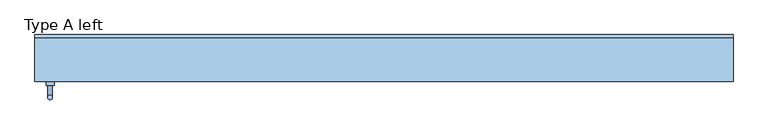
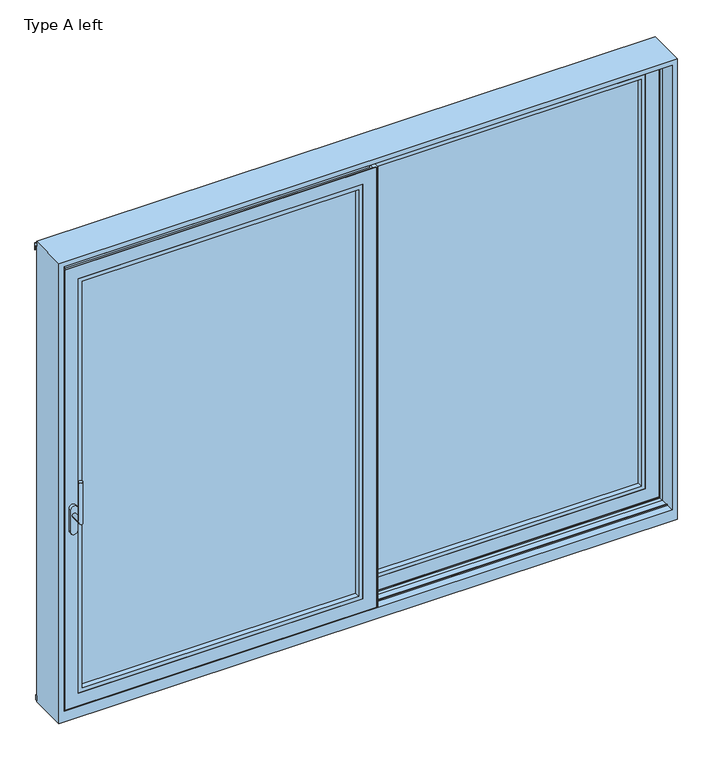
"""IFC4 building model written with IfcOpenShell, lengths in millimetres: window geometry, Type A left."""

from ifc_helpers import new_model, si_unit, point, frame, frame_2d, origin, place, context, project, spatial, polyline, circle_curve, ellipse_curve, trimmed, segment, composite_curve, outline, extrude, faceted_brep, source, transform, mapped, element, save
from ifc_brep_helpers import plane_surface, cylinder_surface, advanced_brep


def type_a_left_32019d5f(model_context):
    return source(origin(), model_context, "Body", "SolidModel", [
        extrude(outline(polyline([(1446.5, 87.0), (1465.0, 87.0), (1465.0, 80.0), (1446.5, 80.0), (1446.5, 87.0)])), frame((0.0, 0.0, 18.5), z_axis=(0.0, 0.0, 1.0), x_axis=(1.0, 0.0, 0.0)), (0.0, 0.0, 1.0), 2211.5),
        extrude(outline(polyline([(1446.5, 20.0), (1465.0, 20.0), (1465.0, 13.0), (1446.5, 13.0), (1446.5, 20.0)])), frame((0.0, 0.0, 18.5), z_axis=(0.0, 0.0, 1.0), x_axis=(1.0, 0.0, 0.0)), (0.0, 0.0, 1.0), 2211.5),
        extrude(outline(polyline([(0.0, -9.0), (-47.5, -9.0), (-47.5, 90.0), (-41.5, 90.0), (-41.5, 87.0), (-24.5, 87.0), (-24.5, 13.0), (-39.5, 13.0), (-39.5, 10.0), (8.5, 10.0), (8.5, 4.0), (-6.0, 4.0), (-6.0, -6.0013087), (0.0, -6.0013087), (0.0, -9.0)])), frame((0.0, 0.0, 3.5), z_axis=(0.0, 0.0, 1.0), x_axis=(1.0, 0.0, 0.0)), (0.0, 0.0, 1.0), 2241.5),
        faceted_brep([(1461.5, 87.0, 2245.0), (1461.5, 87.0, 3.5), (1461.5, 90.0, 3.5), (1461.5, 90.0, 2245.0), (-39.5, 87.0, 3.5), (-39.5, 90.0, 3.5), (-39.5, 90.0, 2245.0), (45.5, 90.0, 88.5), (1376.5, 90.0, 88.5), (1376.5, 90.0, 2160.0), (45.5, 90.0, 2160.0), (-39.5, 87.0, 2245.0), (1446.5, 87.0, 18.5), (-24.5, 87.0, 18.5), (-24.5, 87.0, 2230.0), (1446.5, 87.0, 2230.0), (1461.5, 13.0, 3.5), (-39.5, 13.0, 3.5), (-39.5, 13.0, 2245.0), (1461.5, 13.0, 2245.0), (-24.5, 13.0, 18.5), (1446.5, 13.0, 18.5), (1446.5, 13.0, 2230.0), (-24.5, 13.0, 2230.0), (1461.5, 10.0, 2245.0), (1461.5, 10.0, 3.5), (-39.5, 10.0, 3.5), (-39.5, 10.0, 2245.0), (1396.5, 10.0, 68.5), (25.5, 10.0, 68.5), (25.5, 10.0, 2180.0), (1396.5, 10.0, 2180.0), (1396.5, 82.0, 2180.0), (1396.5, 82.0, 68.5), (25.5, 82.0, 68.5), (25.5, 82.0, 2180.0), (1376.5, 82.0, 88.5), (45.5, 82.0, 88.5), (45.5, 82.0, 2160.0), (1376.5, 82.0, 2160.0)], [[[0, 1, 2, 3]], [[1, 4, 5, 2]], [[2, 5, 6, 3], [7, 8, 9, 10]], [[4, 11, 6, 5]], [[4, 1, 0, 11], [12, 13, 14, 15]], [[16, 17, 18, 19], [20, 21, 22, 23]], [[24, 25, 16, 19]], [[25, 26, 17, 16]], [[26, 27, 18, 17]], [[26, 25, 24, 27], [28, 29, 30, 31]], [[32, 33, 28, 31]], [[33, 34, 29, 28]], [[34, 35, 30, 29]], [[34, 33, 32, 35], [36, 37, 38, 39]], [[9, 8, 36, 39]], [[8, 7, 37, 36]], [[7, 10, 38, 37]], [[11, 0, 3, 6]], [[27, 24, 19, 18]], [[35, 32, 31, 30]], [[10, 9, 39, 38]], [[22, 21, 12, 15]], [[20, 23, 14, 13]], [[21, 20, 13, 12]], [[23, 22, 15, 14]]]),
        extrude(outline(polyline([(2180.0, 1396.5), (2180.0, 25.5), (68.5, 25.5), (68.5, 1396.5), (2180.0, 1396.5)]), holes=[polyline([(2160.0, 45.5), (2160.0, 1376.5), (88.5, 1376.5), (88.5, 45.5), (2160.0, 45.5)])]), frame((0.0, 10.5, 0.0), z_axis=(0.0, 1.0, 0.0), x_axis=(0.0, 0.0, 1.0)), (0.0, 0.0, 1.0), 25.5),
        extrude(outline(polyline([(1396.5, 82.0), (1396.5, 36.0), (25.5, 36.0), (25.5, 82.0), (1396.5, 82.0)])), frame((0.0, 0.0, 68.5), z_axis=(0.0, 0.0, 1.0), x_axis=(1.0, 0.0, 0.0)), (0.0, 0.0, 1.0), 2111.5),
        extrude(outline(polyline([(-24.5, 59.0), (1446.5, 59.0), (1446.5, 41.0), (-24.5, 41.0), (-24.5, 59.0)])), frame((0.0, 0.0, 2230.0), z_axis=(0.0, 0.0, 1.0), x_axis=(1.0, 0.0, 0.0)), (0.0, 0.0, 1.0), 20.0),
        advanced_brep(
        [(-1435.0, -111.0, 995.0), (-1415.0, -111.0, 995.0), (-1435.0, -163.0, 995.0), (-1415.0, -163.0, 995.0), (-1435.0, -163.0, 1195.0), (-1415.0, -163.0, 1195.0)],
        [
            (0, 1, circle_curve(frame((-1425.0, -111.0, 995.0), z_axis=(0.0, 1.0, 0.0), x_axis=(1.0000000000000009, 0.0, 0.0)), 10.0)),
            (1, 0, circle_curve(frame((-1425.0, -111.0, 995.0), z_axis=(0.0, 1.0, 0.0), x_axis=(1.0000000000000009, 0.0, 0.0)), 10.0)),
            (0, 2),
            (2, 3, ellipse_curve(frame((-1425.0, -163.0, 995.0), z_axis=(0.0, 0.7071067811865475, -0.7071067811865475), x_axis=(0.0, 0.7071067811865476, 0.7071067811865474)), 14.1421356, 10.0)),
            (3, 1),
            (3, 2, ellipse_curve(frame((-1425.0, -163.0, 995.0), z_axis=(0.0, 0.7071067811865475, -0.7071067811865475), x_axis=(0.0, 0.7071067811865476, 0.7071067811865474)), 14.1421356, 10.0)),
            (4, 5, circle_curve(frame((-1425.0, -163.0, 1195.0), z_axis=(0.0, 0.0, 1.0), x_axis=(1.0000000000000009, 0.0, 0.0)), 10.0)),
            (5, 4, circle_curve(frame((-1425.0, -163.0, 1195.0), z_axis=(0.0, 0.0, 1.0), x_axis=(1.0000000000000009, 0.0, 0.0)), 10.0)),
            (2, 4),
            (5, 3),
        ],
        [
            plane_surface(frame((-1425.0, -111.0, 995.0), z_axis=(0.0, 1.0, 0.0), x_axis=(1.0, 0.0, 0.0))),
            cylinder_surface(frame((-1425.0, -111.0, 995.0), z_axis=(0.0, 1.0000000000000009, 0.0), x_axis=(1.0000000000000009, 0.0, 0.0)), 10.0),
            plane_surface(frame((-1425.0, -163.0, 1195.0), z_axis=(0.0, 0.0, 1.0), x_axis=(1.0, 0.0, 0.0))),
            cylinder_surface(frame((-1425.0, -163.0, 995.0), z_axis=(0.0, 0.0, -1.0), x_axis=(1.0000000000000009, 0.0, 0.0)), 10.0),
        ],
        [
            (0, [[1, 2]]),
            (1, [[-1, 3, 4, 5]]),
            (1, [[-2, -5, 6, -3]]),
            (2, [[7, 8]]),
            (3, [[-4, 9, -8, 10]]),
            (3, [[-6, -10, -7, -9]]),
        ],
    ),
        extrude(outline(composite_curve([segment(trimmed(circle_curve(frame_2d((913.2823932, -1425.0)), 16.75), [point((913.2823932, -1441.75))], [point((913.2823932, -1408.25))], False, "CARTESIAN"), True, "CONTINUOUS"), segment(polyline([(913.2823932, -1408.25), (1025.0099288, -1408.25)]), True, "CONTINUOUS"), segment(trimmed(circle_curve(frame_2d((1025.0099288, -1425.0)), 16.75), [point((1025.0099288, -1408.25))], [point((1025.0099288, -1441.75))], False, "CARTESIAN"), True, "CONTINUOUS"), segment(polyline([(1025.0099288, -1441.75), (913.2823932, -1441.75)]), True, "CONTINUOUS")], self_intersect=False)), frame((0.0, -111.0, 0.0), z_axis=(0.0, 1.0, 0.0), x_axis=(0.0, 0.0, 1.0)), (0.0, 0.0, 1.0), 16.0),
        extrude(outline(polyline([(-1446.5, -18.0), (-1446.5, -25.0), (-1465.0, -25.0), (-1465.0, -18.0), (-1446.5, -18.0)])), frame((0.0, 0.0, 18.5), z_axis=(0.0, 0.0, 1.0), x_axis=(1.0, 0.0, 0.0)), (0.0, 0.0, 1.0), 2211.5),
        extrude(outline(polyline([(-1446.5, -85.0), (-1446.5, -92.0), (-1465.0, -92.0), (-1465.0, -85.0), (-1446.5, -85.0)])), frame((0.0, 0.0, 18.5), z_axis=(0.0, 0.0, 1.0), x_axis=(1.0, 0.0, 0.0)), (0.0, 0.0, 1.0), 2211.5),
        extrude(outline(polyline([(47.5, 4.0), (47.5, -95.0), (41.5, -95.0), (41.5, -92.0), (24.5, -92.0), (24.5, -18.0), (39.5, -18.0), (39.5, -15.0), (-8.5, -15.0), (-8.5, -9.0), (6.0, -9.0), (6.0, 1.0013087), (0.0, 1.0013087), (0.0, 4.0), (47.5, 4.0)])), frame((0.0, 0.0, 3.5), z_axis=(0.0, 0.0, 1.0), x_axis=(1.0, 0.0, 0.0)), (0.0, 0.0, 1.0), 2241.5),
        faceted_brep([(-1461.5, -18.0, 2245.0), (-1461.5, -15.0, 2245.0), (-1461.5, -15.0, 3.5), (-1461.5, -18.0, 3.5), (39.5, -15.0, 3.5), (39.5, -18.0, 3.5), (39.5, -15.0, 2245.0), (-45.5, -15.0, 88.5), (-45.5, -15.0, 2160.0), (-1376.5, -15.0, 2160.0), (-1376.5, -15.0, 88.5), (39.5, -18.0, 2245.0), (-1446.5, -18.0, 18.5), (-1446.5, -18.0, 2230.0), (24.5, -18.0, 2230.0), (24.5, -18.0, 18.5), (-1461.5, -92.0, 3.5), (-1461.5, -92.0, 2245.0), (39.5, -92.0, 2245.0), (39.5, -92.0, 3.5), (24.5, -92.0, 18.5), (24.5, -92.0, 2230.0), (-1446.5, -92.0, 2230.0), (-1446.5, -92.0, 18.5), (-1461.5, -95.0, 2245.0), (-1461.5, -95.0, 3.5), (39.5, -95.0, 3.5), (39.5, -95.0, 2245.0), (-1396.5, -95.0, 68.5), (-1396.5, -95.0, 2180.0), (-25.5, -95.0, 2180.0), (-25.5, -95.0, 68.5), (-1396.5, -23.0, 2180.0), (-1396.5, -23.0, 68.5), (-25.5, -23.0, 68.5), (-25.5, -23.0, 2180.0), (-1376.5, -23.0, 88.5), (-1376.5, -23.0, 2160.0), (-45.5, -23.0, 2160.0), (-45.5, -23.0, 88.5)], [[[0, 1, 2, 3]], [[3, 2, 4, 5]], [[2, 1, 6, 4], [7, 8, 9, 10]], [[5, 4, 6, 11]], [[5, 11, 0, 3], [12, 13, 14, 15]], [[16, 17, 18, 19], [20, 21, 22, 23]], [[24, 17, 16, 25]], [[25, 16, 19, 26]], [[26, 19, 18, 27]], [[26, 27, 24, 25], [28, 29, 30, 31]], [[32, 29, 28, 33]], [[33, 28, 31, 34]], [[34, 31, 30, 35]], [[34, 35, 32, 33], [36, 37, 38, 39]], [[9, 37, 36, 10]], [[10, 36, 39, 7]], [[7, 39, 38, 8]], [[11, 6, 1, 0]], [[27, 18, 17, 24]], [[35, 30, 29, 32]], [[8, 38, 37, 9]], [[22, 13, 12, 23]], [[20, 15, 14, 21]], [[23, 12, 15, 20]], [[21, 14, 13, 22]]]),
        extrude(outline(polyline([(2180.0, -1396.5), (68.5, -1396.5), (68.5, -25.5), (2180.0, -25.5), (2180.0, -1396.5)]), holes=[polyline([(2160.0, -45.5), (88.5, -45.5), (88.5, -1376.5), (2160.0, -1376.5), (2160.0, -45.5)])]), frame((0.0, -94.5, 0.0), z_axis=(0.0, 1.0, 0.0), x_axis=(0.0, 0.0, 1.0)), (0.0, 0.0, 1.0), 25.5),
        extrude(outline(polyline([(-1396.5, -23.0), (-25.5, -23.0), (-25.5, -69.0), (-1396.5, -69.0), (-1396.5, -23.0)])), frame((0.0, 0.0, 68.5), z_axis=(0.0, 0.0, 1.0), x_axis=(1.0, 0.0, 0.0)), (0.0, 0.0, 1.0), 2111.5),
        extrude(outline(polyline([(24.5, -46.0), (24.5, -64.0), (-1446.5, -64.0), (-1446.5, -46.0), (24.5, -46.0)])), frame((0.0, 0.0, 2230.0), z_axis=(0.0, 0.0, 1.0), x_axis=(1.0, 0.0, 0.0)), (0.0, 0.0, 1.0), 20.0),
        extrude(outline(polyline([(90.0, -24.1943734), (97.0, -24.5), (97.0, -49.0), (90.0, -49.0), (90.0, -24.1943734)])), frame((-1490.0, 0.0, 0.0), z_axis=(1.0, 0.0, 0.0), x_axis=(0.0, 1.0, 0.0)), (0.0, 0.0, 1.0), 2980.0),
        extrude(outline(polyline([(105.0003684, 2275.1806742), (105.0003684, 2239.2221261), (103.0003684, 2239.2221261), (103.0003684, 2265.2221261), (90.0003684, 2265.2221261), (90.0003684, 2283.8409282), (105.0003684, 2275.1806742)])), frame((-1490.0, 0.0, 0.0), z_axis=(1.0, 0.0, 0.0), x_axis=(0.0, 1.0, 0.0)), (0.0, 0.0, 1.0), 2980.0),
        faceted_brep([(-1490.0, -95.0, -55.0), (-1490.0, -95.0, 2290.0), (-1490.0, 90.0, 2290.0), (-1490.0, 90.0, -55.0), (1490.0, -95.0, 2290.0), (1490.0, -95.0, -55.0), (1490.0, 90.0, -55.0), (1490.0, 90.0, 2290.0), (-1465.0, -15.0, 2265.0), (-1465.0, -95.0, 2265.0), (-1465.0, -95.0, 0.0), (-1465.0, -57.5, 0.0), (-1465.0, -57.5, 5.0), (-1465.0, -52.5, 5.0), (-1465.0, -52.5, 0.0), (-1465.0, -15.0, 0.0), (1465.0, -95.0, 2265.0), (1465.0, -15.0, 2265.0), (1465.0, -15.0, 0.0), (1465.0, -52.5, 0.0), (1465.0, -52.5, 5.0), (1465.0, -57.5, 5.0), (1465.0, -57.5, 0.0), (1465.0, -95.0, 0.0), (-1467.0, 10.0, 2267.0), (-1467.0, -15.0, 2267.0), (-1467.0, -15.0, 0.0), (-1467.0, -14.8, 0.0), (-1467.0, -14.8, -4.0), (-1467.0, 9.8, -4.0), (-1467.0, 9.8, 0.0), (-1467.0, 10.0, 0.0), (1467.0, -15.0, 2267.0), (1467.0, 10.0, 2267.0), (1467.0, 10.0, 0.0), (1467.0, 9.8, 0.0), (1467.0, 9.8, -4.0), (1467.0, -14.8, -4.0), (1467.0, -14.8, 0.0), (1467.0, -15.0, 0.0), (-1465.0, 90.0, 2265.0), (-1465.0, 10.0, 2265.0), (-1465.0, 10.0, 0.0), (-1465.0, 47.5, 0.0), (-1465.0, 47.5, 5.0), (-1465.0, 52.5, 5.0), (-1465.0, 52.5, 0.0), (-1465.0, 90.0, 0.0), (1465.0, 10.0, 2265.0), (1465.0, 90.0, 2265.0), (1465.0, 90.0, 0.0), (1465.0, 52.5, 0.0), (1465.0, 52.5, 5.0), (1465.0, 47.5, 5.0), (1465.0, 47.5, 0.0), (1465.0, 10.0, 0.0)], [[[0, 1, 2, 3]], [[4, 5, 6, 7]], [[8, 9, 10, 11, 12, 13, 14, 15]], [[16, 17, 18, 19, 20, 21, 22, 23]], [[24, 25, 26, 27, 28, 29, 30, 31]], [[32, 33, 34, 35, 36, 37, 38, 39]], [[40, 41, 42, 43, 44, 45, 46, 47]], [[48, 49, 50, 51, 52, 53, 54, 55]], [[4, 7, 2, 1]], [[16, 9, 8, 17]], [[32, 25, 24, 33]], [[48, 41, 40, 49]], [[6, 5, 0, 3]], [[0, 5, 4, 1], [16, 23, 10, 9]], [[6, 3, 2, 7], [40, 47, 50, 49]], [[10, 23, 22, 11]], [[17, 8, 15, 26, 25, 32, 39, 18]], [[14, 19, 18, 39, 38, 27, 26, 15]], [[13, 20, 19, 14]], [[12, 21, 20, 13]], [[11, 22, 21, 12]], [[33, 24, 31, 42, 41, 48, 55, 34]], [[50, 47, 46, 51]], [[45, 52, 51, 46]], [[44, 53, 52, 45]], [[43, 54, 53, 44]], [[54, 43, 42, 31, 30, 35, 34, 55]], [[29, 36, 35, 30]], [[28, 37, 36, 29]], [[27, 38, 37, 28]]]),
        extrude(outline(polyline([(-44.0, 2244.0917893), (-44.0, 2262.0), (-66.0, 2262.0), (-66.0, 2244.0917893), (-69.0, 2244.0917893), (-69.0, 2265.0), (-41.0, 2265.0), (-41.0, 2244.0917893), (-44.0, 2244.0917893)])), frame((-1465.0, 0.0, 0.0), z_axis=(1.0, 0.0, 0.0), x_axis=(0.0, 1.0, 0.0)), (0.0, 0.0, 1.0), 2930.0),
        extrude(outline(polyline([(61.0, 2244.0917893), (61.0, 2262.0), (39.0, 2262.0), (39.0, 2244.0917893), (36.0, 2244.0917893), (36.0, 2265.0), (64.0, 2265.0), (64.0, 2244.0917893), (61.0, 2244.0917893)])), frame((-1465.0, 0.0, 0.0), z_axis=(1.0, 0.0, 0.0), x_axis=(0.0, 1.0, 0.0)), (0.0, 0.0, 1.0), 2930.0),
    ])


if __name__ == "__main__":
    model = new_model("IFC4")
    model_context = context("Model", 3, world=origin())
    ifc_project = project(units=[si_unit("LENGTHUNIT", "METRE", prefix="MILLI")], contexts=[model_context])
    site = spatial("IfcSite", under=ifc_project)
    building = spatial("IfcBuilding", under=site)
    placement = place(None, origin())
    type_a_left_shape = type_a_left_32019d5f(model_context)
    element("IfcWindow", 1, ObjectType="Type A left", at=placement, inside=building, context=model_context, shape_type="MappedRepresentation", body=[
        mapped(type_a_left_shape, transform((0.0, 0.0, 0.0), x_axis=(1.0, 0.0, 0.0), y_axis=(0.0, 1.0, 0.0), z_axis=(0.0, 0.0, 1.0))),
    ])
    save(model, "model.ifc")
